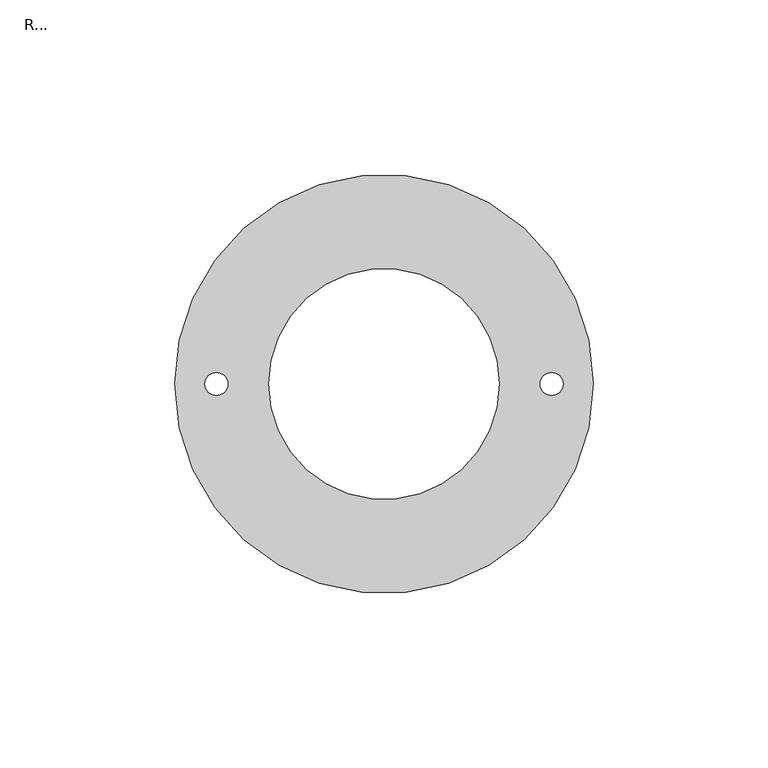
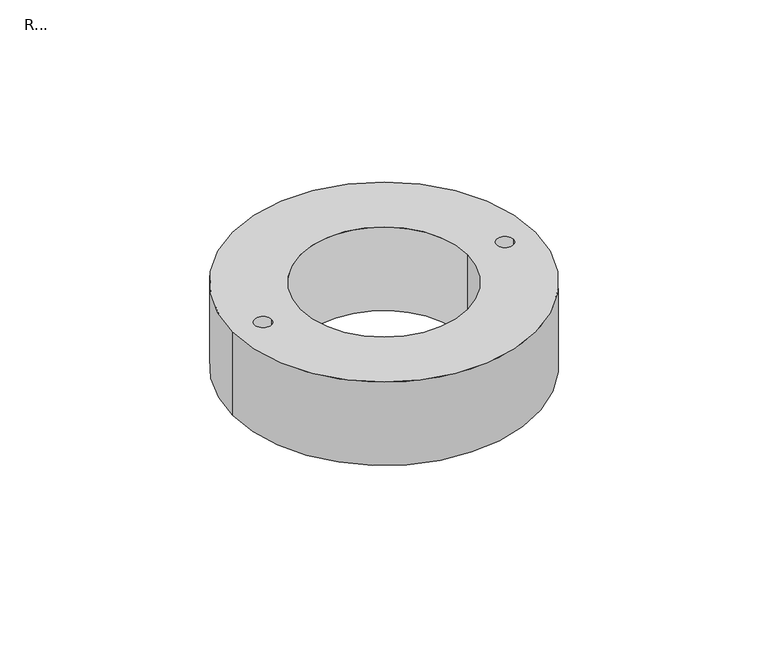
"""IFC4 building model written with IfcOpenShell, lengths in millimetres: proxy geometry, R...."""

from ifc_helpers import new_model, si_unit, frame, origin, place, context, project, spatial, polyline, circle_curve, source, transform, mapped, element, save
from ifc_brep_helpers import plane_surface, cylinder_surface, revolved_surface, advanced_brep


def r_c6dc32b5(model_context):
    return source(origin(), model_context, "Body", "AdvancedBrep", [
        advanced_brep(
        [(-60.0, 0.0, 2980.0), (60.0, 0.0, 2980.0), (-33.0, 0.0, 2980.0), (33.0, 0.0, 2980.0), (-51.3, 0.0, 2980.0), (-44.7, 0.0, 2980.0), (44.7, 0.0, 2980.0), (51.3, 0.0, 2980.0), (-60.0, 0.0, 2945.0), (60.0, 0.0, 2945.0), (-33.0, 0.0, 2945.0), (33.0, 0.0, 2945.0), (-41.5, 0.0, 2945.0), (-54.5, 0.0, 2945.0), (54.5, 0.0, 2945.0), (41.5, 0.0, 2945.0), (-44.7, 0.0, 2953.5), (-51.3, 0.0, 2953.5), (-54.5, 0.0, 2953.5), (-41.5, 0.0, 2953.5), (51.3, 0.0, 2953.5), (44.7, 0.0, 2953.5), (41.5, 0.0, 2953.5), (54.5, 0.0, 2953.5)],
        [
            (0, 1, circle_curve(frame((0.0, 0.0, 2980.0), z_axis=(0.0, 0.0, 1.0), x_axis=(1.0, 0.0, 0.0)), 60.0)),
            (1, 0, circle_curve(frame((0.0, 0.0, 2980.0), z_axis=(0.0, 0.0, 1.0), x_axis=(1.0, 0.0, 0.0)), 60.0)),
            (2, 3, circle_curve(frame((0.0, 0.0, 2980.0), z_axis=(0.0, 0.0, -1.0), x_axis=(1.0, 0.0, 0.0)), 33.0)),
            (3, 2, circle_curve(frame((0.0, 0.0, 2980.0), z_axis=(0.0, 0.0, -1.0), x_axis=(1.0, 0.0, 0.0)), 33.0)),
            (4, 5, circle_curve(frame((-48.0, 0.0, 2980.0), z_axis=(0.0, 0.0, -1.0), x_axis=(-1.0, 0.0, 0.0)), 3.3)),
            (5, 4, circle_curve(frame((-48.0, 0.0, 2980.0), z_axis=(0.0, 0.0, -1.0), x_axis=(-1.0, 0.0, 0.0)), 3.3)),
            (6, 7, circle_curve(frame((48.0, 0.0, 2980.0), z_axis=(0.0, 0.0, -1.0), x_axis=(-1.0, 0.0, 0.0)), 3.3)),
            (7, 6, circle_curve(frame((48.0, 0.0, 2980.0), z_axis=(0.0, 0.0, -1.0), x_axis=(-1.0, 0.0, 0.0)), 3.3)),
            (8, 9, circle_curve(frame((0.0, 0.0, 2945.0), z_axis=(0.0, 0.0, -1.0), x_axis=(1.0, 0.0, 0.0)), 60.0)),
            (9, 8, circle_curve(frame((0.0, 0.0, 2945.0), z_axis=(0.0, 0.0, -1.0), x_axis=(1.0, 0.0, 0.0)), 60.0)),
            (10, 11, circle_curve(frame((0.0, 0.0, 2945.0), z_axis=(0.0, 0.0, 1.0), x_axis=(1.0, 0.0, 0.0)), 33.0)),
            (11, 10, circle_curve(frame((0.0, 0.0, 2945.0), z_axis=(0.0, 0.0, 1.0), x_axis=(1.0, 0.0, 0.0)), 33.0)),
            (12, 13, circle_curve(frame((-48.0, 0.0, 2945.0), z_axis=(0.0, 0.0, 1.0), x_axis=(-1.0, 0.0, 0.0)), 6.5)),
            (13, 12, circle_curve(frame((-48.0, 0.0, 2945.0), z_axis=(0.0, 0.0, 1.0), x_axis=(-1.0, 0.0, 0.0)), 6.5)),
            (14, 15, circle_curve(frame((48.0, 0.0, 2945.0), z_axis=(0.0, 0.0, 1.0), x_axis=(-1.0, 0.0, 0.0)), 6.5)),
            (15, 14, circle_curve(frame((48.0, 0.0, 2945.0), z_axis=(0.0, 0.0, 1.0), x_axis=(-1.0, 0.0, 0.0)), 6.5)),
            (2, 10),
            (11, 3),
            (0, 8),
            (9, 1),
            (16, 5),
            (4, 17),
            (17, 16, circle_curve(frame((-48.0, 0.0, 2953.5), z_axis=(0.0, 0.0, -1.0), x_axis=(-1.0, 0.0, 0.0)), 3.3)),
            (16, 17, circle_curve(frame((-48.0, 0.0, 2953.5), z_axis=(0.0, 0.0, -1.0), x_axis=(-1.0, 0.0, 0.0)), 3.3)),
            (17, 18),
            (18, 19, circle_curve(frame((-48.0, 0.0, 2953.5), z_axis=(0.0, 0.0, -1.0), x_axis=(-1.0, 0.0, 0.0)), 6.5)),
            (19, 16),
            (19, 18, circle_curve(frame((-48.0, 0.0, 2953.5), z_axis=(0.0, 0.0, -1.0), x_axis=(-1.0, 0.0, 0.0)), 6.5)),
            (18, 13),
            (12, 19),
            (20, 7),
            (6, 21),
            (21, 20, circle_curve(frame((48.0, 0.0, 2953.5), z_axis=(0.0, 0.0, -1.0), x_axis=(-1.0, 0.0, 0.0)), 3.3)),
            (20, 21, circle_curve(frame((48.0, 0.0, 2953.5), z_axis=(0.0, 0.0, -1.0), x_axis=(-1.0, 0.0, 0.0)), 3.3)),
            (21, 22),
            (22, 23, circle_curve(frame((48.0, 0.0, 2953.5), z_axis=(0.0, 0.0, -1.0), x_axis=(-1.0, 0.0, 0.0)), 6.5)),
            (23, 20),
            (23, 22, circle_curve(frame((48.0, 0.0, 2953.5), z_axis=(0.0, 0.0, -1.0), x_axis=(-1.0, 0.0, 0.0)), 6.5)),
            (22, 15),
            (14, 23),
        ],
        [
            plane_surface(frame((33.0, 0.0, 2980.0), z_axis=(0.0, 0.0, 1.0), x_axis=(0.0, -1.0, 0.0))),
            plane_surface(frame((33.0, 0.0, 2945.0), z_axis=(0.0, 0.0, -1.0), x_axis=(0.0, 1.0, 0.0))),
            revolved_surface(polyline([(33.0, 0.0, 2945.0), (33.0, 0.0, 2980.0)]), (0.0, 0.0, 2945.0), (0.0, 0.0, -1.0)),
            cylinder_surface(frame((0.0, 0.0, 30.0), z_axis=(0.0, 0.0, 1.0), x_axis=(1.0, 0.0, 0.0)), 60.0),
            revolved_surface(polyline([(-51.3, 0.0, 2953.5), (-51.3, 0.0, 2980.0)]), (-48.0, 0.0, 2910.0), (0.0, 0.0, -1.0)),
            plane_surface(frame((-48.0, 0.0, 2953.5), z_axis=(0.0, 0.0, -1.0), x_axis=(-1.0, 0.0, 0.0))),
            revolved_surface(polyline([(-54.5, 0.0, 2945.0), (-54.5, 0.0, 2953.5)]), (-48.0, 0.0, 2910.0), (0.0, 0.0, -1.0)),
            revolved_surface(polyline([(44.7, 0.0, 2953.5), (44.7, 0.0, 2980.0)]), (48.0, 0.0, 75.0), (0.0, 0.0, -1.0)),
            plane_surface(frame((48.0, 0.0, 2953.5), z_axis=(0.0, 0.0, -1.0), x_axis=(-1.0, 0.0, 0.0))),
            revolved_surface(polyline([(41.5, 0.0, 2945.0), (41.5, 0.0, 2953.5)]), (48.0, 0.0, 75.0), (0.0, 0.0, -1.0)),
        ],
        [
            (0, [[1, 2], [3, 4], [5, 6], [7, 8]]),
            (1, [[9, 10], [11, 12], [13, 14], [15, 16]]),
            (2, [[-3, 17, -12, 18]]),
            (2, [[-4, -18, -11, -17]]),
            (3, [[-1, 19, -10, 20]]),
            (3, [[-2, -20, -9, -19]]),
            (4, [[21, -5, 22, 23]]),
            (4, [[-21, 24, -22, -6]]),
            (5, [[-23, 25, 26, 27]]),
            (5, [[-24, -27, 28, -25]]),
            (6, [[-26, 29, -13, 30]]),
            (6, [[-28, -30, -14, -29]]),
            (7, [[31, -7, 32, 33]]),
            (7, [[-31, 34, -32, -8]]),
            (8, [[-33, 35, 36, 37]]),
            (8, [[-34, -37, 38, -35]]),
            (9, [[-36, 39, -15, 40]]),
            (9, [[-38, -40, -16, -39]]),
        ],
    ),
    ])


if __name__ == "__main__":
    model = new_model("IFC4")
    model_context = context("Model", 3, world=origin())
    ifc_project = project(units=[si_unit("LENGTHUNIT", "METRE", prefix="MILLI")], contexts=[model_context])
    site = spatial("IfcSite", under=ifc_project)
    building = spatial("IfcBuilding", under=site)
    placement = place(None, origin())
    r_shape = r_c6dc32b5(model_context)
    element("IfcBuildingElementProxy", 1, Name="R...", ObjectType="R...", at=placement, inside=building, context=model_context, shape_type="MappedRepresentation", body=[
        mapped(r_shape, transform((0.0, 0.0, 0.0), x_axis=(1.0, 0.0, 0.0), y_axis=(0.0, 1.0, 0.0), z_axis=(0.0, 0.0, 1.0))),
    ])
    save(model, "model.ifc")
